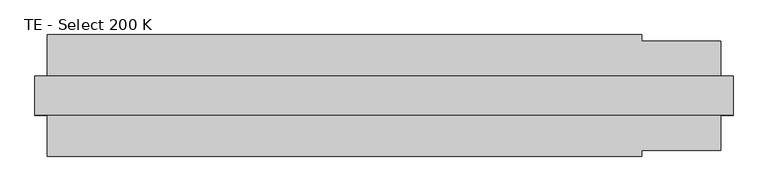
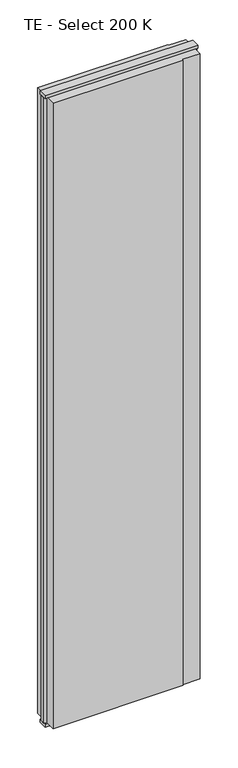
"""IFC4 building model written with IfcOpenShell, lengths in millimetres: plate geometry, TE - Select 200 K."""

from ifc_helpers import new_model, si_unit, frame, origin, origin_with_axes, place, context, project, spatial, polyline, outline, extrude, source, transform, mapped, element, save


def te_select_200_k_bf11ade0(model_context):
    return source(origin(), model_context, "Body", "SweptSolid", [
        extrude(outline(polyline([(422.9166667, 100.0), (422.9166667, 90.0), (552.9166667, 90.0), (552.9166667, 22.9993165), (572.9166667, 17.6401049), (572.9166667, -17.6401049), (552.9166667, -22.9993165), (552.9166667, -90.0), (422.9166667, -90.0), (422.9166667, -100.0), (-552.9166667, -100.0), (-552.9166667, -22.9993165), (-572.9166667, -17.6401049), (-572.9166667, 17.6401049), (-552.9166667, 22.9993165), (-552.9166667, 100.0), (422.9166667, 100.0)])), frame((0.0, 0.0, 25.0), z_axis=(0.0, 0.0, 1.0), x_axis=(1.0, 0.0, 0.0)), (0.0, 0.0, 1.0), 4950.0),
        extrude(outline(polyline([(572.9166667, 32.0), (572.9166667, -32.0), (-572.9166667, -32.0), (-572.9166667, 32.0), (572.9166667, 32.0)])), origin_with_axes(), (0.0, 0.0, 1.0), 25.0),
        extrude(outline(polyline([(572.9166667, 32.0), (572.9166667, -32.0), (-572.9166667, -32.0), (-572.9166667, 32.0), (572.9166667, 32.0)])), frame((0.0, 0.0, 4975.0), z_axis=(0.0, 0.0, 1.0), x_axis=(1.0, 0.0, 0.0)), (0.0, 0.0, 1.0), 25.0),
    ])


if __name__ == "__main__":
    model = new_model("IFC4")
    model_context = context("Model", 3, world=origin())
    ifc_project = project(units=[si_unit("LENGTHUNIT", "METRE", prefix="MILLI")], contexts=[model_context])
    site = spatial("IfcSite", under=ifc_project)
    building = spatial("IfcBuilding", under=site)
    placement = place(None, origin())
    te_select_200_k_shape = te_select_200_k_bf11ade0(model_context)
    element("IfcPlate", 1, ObjectType="TE - Select 200 K", at=placement, inside=building, context=model_context, shape_type="MappedRepresentation", body=[
        mapped(te_select_200_k_shape, transform((0.0, 0.0, 0.0), x_axis=(1.0, 0.0, 0.0), y_axis=(0.0, 1.0, 0.0), z_axis=(0.0, 0.0, 1.0))),
    ])
    save(model, "model.ifc")
